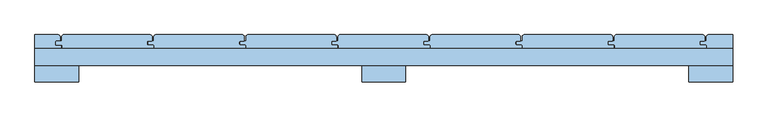
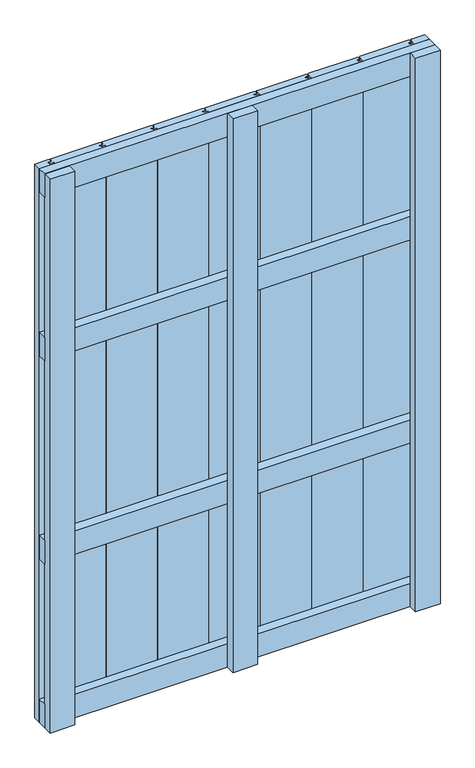
"""IFC4 building model written with IfcOpenShell, lengths in millimetres: window geometry."""

from ifc_helpers import new_model, si_unit, point, frame, frame_2d, origin, place, context, project, spatial, polyline, circle_curve, trimmed, segment, composite_curve, outline, extrude, source, transform, mapped, element, save


def window_517b9fd2(model_context):
    return source(origin(), model_context, "Body", "SweptSolid", [
        extrude(outline(polyline([(500.0, 30.0), (500.0, 6.0), (-500.0, 6.0), (-500.0, 30.0), (500.0, 30.0)])), frame((0.0, 0.0, 1093.5), z_axis=(0.0, 0.0, 1.0), x_axis=(1.0, 0.0, 0.0)), (0.0, 0.0, 1.0), 63.0),
        extrude(outline(polyline([(500.0, 30.0), (500.0, 6.0), (-500.0, 6.0), (-500.0, 30.0), (500.0, 30.0)])), frame((0.0, 0.0, 543.5), z_axis=(0.0, 0.0, 1.0), x_axis=(1.0, 0.0, 0.0)), (0.0, 0.0, 1.0), 63.0),
        extrude(outline(polyline([(500.0, 30.0), (500.0, 6.0), (-500.0, 6.0), (-500.0, 30.0), (500.0, 30.0)])), frame((0.0, 0.0, 1537.0), z_axis=(0.0, 0.0, 1.0), x_axis=(1.0, 0.0, 0.0)), (0.0, 0.0, 1.0), 63.0),
        extrude(outline(polyline([(500.0, 30.0), (500.0, 6.0), (-500.0, 6.0), (-500.0, 30.0), (500.0, 30.0)])), frame((0.0, 0.0, 100.0), z_axis=(0.0, 0.0, 1.0), x_axis=(1.0, 0.0, 0.0)), (0.0, 0.0, 1.0), 63.0),
        extrude(outline(composite_curve([segment(polyline([(-333.0, 41.0), (-338.0, 41.0)]), True, "CONTINUOUS"), segment(trimmed(circle_curve(frame_2d((-338.0, 40.0)), 1.0), [point((-338.0, 41.0))], [point((-339.0, 40.0))], True, "CARTESIAN"), True, "CONTINUOUS"), segment(polyline([(-339.0, 40.0), (-339.0, 36.0)]), True, "CONTINUOUS"), segment(trimmed(circle_curve(frame_2d((-338.0, 36.0)), 1.0), [point((-339.0, 36.0))], [point((-338.0, 35.0))], True, "CARTESIAN"), True, "CONTINUOUS"), segment(polyline([(-338.0, 35.0), (-331.0, 35.0)]), True, "CONTINUOUS"), segment(trimmed(circle_curve(frame_2d((-331.0, 34.0)), 1.0), [point((-331.0, 35.0))], [point((-330.0, 34.0))], False, "CARTESIAN"), True, "CONTINUOUS"), segment(polyline([(-330.0, 34.0), (-330.0, 30.0), (-461.0, 30.0), (-461.0, 35.0), (-469.0, 35.0)]), True, "CONTINUOUS"), segment(trimmed(circle_curve(frame_2d((-469.0, 36.0)), 1.0), [point((-469.0, 35.0))], [point((-470.0, 36.0))], False, "CARTESIAN"), True, "CONTINUOUS"), segment(polyline([(-470.0, 36.0), (-470.0, 40.0)]), True, "CONTINUOUS"), segment(trimmed(circle_curve(frame_2d((-469.0, 40.0)), 1.0), [point((-470.0, 40.0))], [point((-469.0, 41.0))], False, "CARTESIAN"), True, "CONTINUOUS"), segment(polyline([(-469.0, 41.0), (-461.5177112, 41.0), (-461.5177112, 47.0156631)]), True, "CONTINUOUS"), segment(trimmed(circle_curve(frame_2d((-458.5333743, 47.0156631)), 2.9843369), [point((-461.5177112, 47.0156631))], [point((-458.5333743, 50.0))], False, "CARTESIAN"), True, "CONTINUOUS"), segment(polyline([(-458.5333743, 50.0), (-335.0347984, 50.0)]), True, "CONTINUOUS"), segment(trimmed(circle_curve(frame_2d((-335.0347984, 46.9652016)), 3.0347984), [point((-335.0347984, 50.0))], [point((-332.0, 46.9652016))], False, "CARTESIAN"), True, "CONTINUOUS"), segment(polyline([(-332.0, 46.9652016), (-332.0, 42.0)]), True, "CONTINUOUS"), segment(trimmed(circle_curve(frame_2d((-333.0, 42.0)), 1.0), [point((-332.0, 42.0))], [point((-333.0, 41.0))], False, "CARTESIAN"), True, "CONTINUOUS")], self_intersect=False)), frame((0.0, 0.0, 100.0), z_axis=(0.0, 0.0, 1.0), x_axis=(1.0, 0.0, 0.0)), (0.0, 0.0, 1.0), 1500.0),
        extrude(outline(composite_curve([segment(polyline([(-201.0, 41.0), (-206.0, 41.0)]), True, "CONTINUOUS"), segment(trimmed(circle_curve(frame_2d((-206.0, 40.0)), 1.0), [point((-206.0, 41.0))], [point((-207.0, 40.0))], True, "CARTESIAN"), True, "CONTINUOUS"), segment(polyline([(-207.0, 40.0), (-207.0, 36.0)]), True, "CONTINUOUS"), segment(trimmed(circle_curve(frame_2d((-206.0, 36.0)), 1.0), [point((-207.0, 36.0))], [point((-206.0, 35.0))], True, "CARTESIAN"), True, "CONTINUOUS"), segment(polyline([(-206.0, 35.0), (-199.0, 35.0)]), True, "CONTINUOUS"), segment(trimmed(circle_curve(frame_2d((-199.0, 34.0)), 1.0), [point((-199.0, 35.0))], [point((-198.0, 34.0))], False, "CARTESIAN"), True, "CONTINUOUS"), segment(polyline([(-198.0, 34.0), (-198.0, 30.0), (-329.0, 30.0), (-329.0, 35.0), (-337.0, 35.0)]), True, "CONTINUOUS"), segment(trimmed(circle_curve(frame_2d((-337.0, 36.0)), 1.0), [point((-337.0, 35.0))], [point((-338.0, 36.0))], False, "CARTESIAN"), True, "CONTINUOUS"), segment(polyline([(-338.0, 36.0), (-338.0, 40.0)]), True, "CONTINUOUS"), segment(trimmed(circle_curve(frame_2d((-337.0, 40.0)), 1.0), [point((-338.0, 40.0))], [point((-337.0, 41.0))], False, "CARTESIAN"), True, "CONTINUOUS"), segment(polyline([(-337.0, 41.0), (-329.5177112, 41.0), (-329.5177112, 47.0156631)]), True, "CONTINUOUS"), segment(trimmed(circle_curve(frame_2d((-326.5333743, 47.0156631)), 2.9843369), [point((-329.5177112, 47.0156631))], [point((-326.5333743, 50.0))], False, "CARTESIAN"), True, "CONTINUOUS"), segment(polyline([(-326.5333743, 50.0), (-203.0347984, 50.0)]), True, "CONTINUOUS"), segment(trimmed(circle_curve(frame_2d((-203.0347984, 46.9652016)), 3.0347984), [point((-203.0347984, 50.0))], [point((-200.0, 46.9652016))], False, "CARTESIAN"), True, "CONTINUOUS"), segment(polyline([(-200.0, 46.9652016), (-200.0, 42.0)]), True, "CONTINUOUS"), segment(trimmed(circle_curve(frame_2d((-201.0, 42.0)), 1.0), [point((-200.0, 42.0))], [point((-201.0, 41.0))], False, "CARTESIAN"), True, "CONTINUOUS")], self_intersect=False)), frame((0.0, 0.0, 100.0), z_axis=(0.0, 0.0, 1.0), x_axis=(1.0, 0.0, 0.0)), (0.0, 0.0, 1.0), 1500.0),
        extrude(outline(composite_curve([segment(polyline([(-69.0, 41.0), (-74.0, 41.0)]), True, "CONTINUOUS"), segment(trimmed(circle_curve(frame_2d((-74.0, 40.0)), 1.0), [point((-74.0, 41.0))], [point((-75.0, 40.0))], True, "CARTESIAN"), True, "CONTINUOUS"), segment(polyline([(-75.0, 40.0), (-75.0, 36.0)]), True, "CONTINUOUS"), segment(trimmed(circle_curve(frame_2d((-74.0, 36.0)), 1.0), [point((-75.0, 36.0))], [point((-74.0, 35.0))], True, "CARTESIAN"), True, "CONTINUOUS"), segment(polyline([(-74.0, 35.0), (-67.0, 35.0)]), True, "CONTINUOUS"), segment(trimmed(circle_curve(frame_2d((-67.0, 34.0)), 1.0), [point((-67.0, 35.0))], [point((-66.0, 34.0))], False, "CARTESIAN"), True, "CONTINUOUS"), segment(polyline([(-66.0, 34.0), (-66.0, 30.0), (-197.0, 30.0), (-197.0, 35.0), (-205.0, 35.0)]), True, "CONTINUOUS"), segment(trimmed(circle_curve(frame_2d((-205.0, 36.0)), 1.0), [point((-205.0, 35.0))], [point((-206.0, 36.0))], False, "CARTESIAN"), True, "CONTINUOUS"), segment(polyline([(-206.0, 36.0), (-206.0, 40.0)]), True, "CONTINUOUS"), segment(trimmed(circle_curve(frame_2d((-205.0, 40.0)), 1.0), [point((-206.0, 40.0))], [point((-205.0, 41.0))], False, "CARTESIAN"), True, "CONTINUOUS"), segment(polyline([(-205.0, 41.0), (-197.5177112, 41.0), (-197.5177112, 47.0156631)]), True, "CONTINUOUS"), segment(trimmed(circle_curve(frame_2d((-194.5333743, 47.0156631)), 2.9843369), [point((-197.5177112, 47.0156631))], [point((-194.5333743, 50.0))], False, "CARTESIAN"), True, "CONTINUOUS"), segment(polyline([(-194.5333743, 50.0), (-71.0347984, 50.0)]), True, "CONTINUOUS"), segment(trimmed(circle_curve(frame_2d((-71.0347984, 46.9652016)), 3.0347984), [point((-71.0347984, 50.0))], [point((-68.0, 46.9652016))], False, "CARTESIAN"), True, "CONTINUOUS"), segment(polyline([(-68.0, 46.9652016), (-68.0, 42.0)]), True, "CONTINUOUS"), segment(trimmed(circle_curve(frame_2d((-69.0, 42.0)), 1.0), [point((-68.0, 42.0))], [point((-69.0, 41.0))], False, "CARTESIAN"), True, "CONTINUOUS")], self_intersect=False)), frame((0.0, 0.0, 100.0), z_axis=(0.0, 0.0, 1.0), x_axis=(1.0, 0.0, 0.0)), (0.0, 0.0, 1.0), 1500.0),
        extrude(outline(composite_curve([segment(polyline([(63.0, 41.0), (58.0, 41.0)]), True, "CONTINUOUS"), segment(trimmed(circle_curve(frame_2d((58.0, 40.0)), 1.0), [point((58.0, 41.0))], [point((57.0, 40.0))], True, "CARTESIAN"), True, "CONTINUOUS"), segment(polyline([(57.0, 40.0), (57.0, 36.0)]), True, "CONTINUOUS"), segment(trimmed(circle_curve(frame_2d((58.0, 36.0)), 1.0), [point((57.0, 36.0))], [point((58.0, 35.0))], True, "CARTESIAN"), True, "CONTINUOUS"), segment(polyline([(58.0, 35.0), (65.0, 35.0)]), True, "CONTINUOUS"), segment(trimmed(circle_curve(frame_2d((65.0, 34.0)), 1.0), [point((65.0, 35.0))], [point((66.0, 34.0))], False, "CARTESIAN"), True, "CONTINUOUS"), segment(polyline([(66.0, 34.0), (66.0, 30.0), (-65.0, 30.0), (-65.0, 35.0), (-73.0, 35.0)]), True, "CONTINUOUS"), segment(trimmed(circle_curve(frame_2d((-73.0, 36.0)), 1.0), [point((-73.0, 35.0))], [point((-74.0, 36.0))], False, "CARTESIAN"), True, "CONTINUOUS"), segment(polyline([(-74.0, 36.0), (-74.0, 40.0)]), True, "CONTINUOUS"), segment(trimmed(circle_curve(frame_2d((-73.0, 40.0)), 1.0), [point((-74.0, 40.0))], [point((-73.0, 41.0))], False, "CARTESIAN"), True, "CONTINUOUS"), segment(polyline([(-73.0, 41.0), (-65.5177112, 41.0), (-65.5177112, 47.0156631)]), True, "CONTINUOUS"), segment(trimmed(circle_curve(frame_2d((-62.5333743, 47.0156631)), 2.9843369), [point((-65.5177112, 47.0156631))], [point((-62.5333743, 50.0))], False, "CARTESIAN"), True, "CONTINUOUS"), segment(polyline([(-62.5333743, 50.0), (60.9652016, 50.0)]), True, "CONTINUOUS"), segment(trimmed(circle_curve(frame_2d((60.9652016, 46.9652016)), 3.0347984), [point((60.9652016, 50.0))], [point((64.0, 46.9652016))], False, "CARTESIAN"), True, "CONTINUOUS"), segment(polyline([(64.0, 46.9652016), (64.0, 42.0)]), True, "CONTINUOUS"), segment(trimmed(circle_curve(frame_2d((63.0, 42.0)), 1.0), [point((64.0, 42.0))], [point((63.0, 41.0))], False, "CARTESIAN"), True, "CONTINUOUS")], self_intersect=False)), frame((0.0, 0.0, 100.0), z_axis=(0.0, 0.0, 1.0), x_axis=(1.0, 0.0, 0.0)), (0.0, 0.0, 1.0), 1500.0),
        extrude(outline(composite_curve([segment(polyline([(195.0, 41.0), (190.0, 41.0)]), True, "CONTINUOUS"), segment(trimmed(circle_curve(frame_2d((190.0, 40.0)), 1.0), [point((190.0, 41.0))], [point((189.0, 40.0))], True, "CARTESIAN"), True, "CONTINUOUS"), segment(polyline([(189.0, 40.0), (189.0, 36.0)]), True, "CONTINUOUS"), segment(trimmed(circle_curve(frame_2d((190.0, 36.0)), 1.0), [point((189.0, 36.0))], [point((190.0, 35.0))], True, "CARTESIAN"), True, "CONTINUOUS"), segment(polyline([(190.0, 35.0), (197.0, 35.0)]), True, "CONTINUOUS"), segment(trimmed(circle_curve(frame_2d((197.0, 34.0)), 1.0), [point((197.0, 35.0))], [point((198.0, 34.0))], False, "CARTESIAN"), True, "CONTINUOUS"), segment(polyline([(198.0, 34.0), (198.0, 30.0), (67.0, 30.0), (67.0, 35.0), (59.0, 35.0)]), True, "CONTINUOUS"), segment(trimmed(circle_curve(frame_2d((59.0, 36.0)), 1.0), [point((59.0, 35.0))], [point((58.0, 36.0))], False, "CARTESIAN"), True, "CONTINUOUS"), segment(polyline([(58.0, 36.0), (58.0, 40.0)]), True, "CONTINUOUS"), segment(trimmed(circle_curve(frame_2d((59.0, 40.0)), 1.0), [point((58.0, 40.0))], [point((59.0, 41.0))], False, "CARTESIAN"), True, "CONTINUOUS"), segment(polyline([(59.0, 41.0), (66.4822888, 41.0), (66.4822888, 47.0156631)]), True, "CONTINUOUS"), segment(trimmed(circle_curve(frame_2d((69.4666257, 47.0156631)), 2.9843369), [point((66.4822888, 47.0156631))], [point((69.4666257, 50.0))], False, "CARTESIAN"), True, "CONTINUOUS"), segment(polyline([(69.4666257, 50.0), (192.9652016, 50.0)]), True, "CONTINUOUS"), segment(trimmed(circle_curve(frame_2d((192.9652016, 46.9652016)), 3.0347984), [point((192.9652016, 50.0))], [point((196.0, 46.9652016))], False, "CARTESIAN"), True, "CONTINUOUS"), segment(polyline([(196.0, 46.9652016), (196.0, 42.0)]), True, "CONTINUOUS"), segment(trimmed(circle_curve(frame_2d((195.0, 42.0)), 1.0), [point((196.0, 42.0))], [point((195.0, 41.0))], False, "CARTESIAN"), True, "CONTINUOUS")], self_intersect=False)), frame((0.0, 0.0, 100.0), z_axis=(0.0, 0.0, 1.0), x_axis=(1.0, 0.0, 0.0)), (0.0, 0.0, 1.0), 1500.0),
        extrude(outline(composite_curve([segment(polyline([(327.0, 41.0), (322.0, 41.0)]), True, "CONTINUOUS"), segment(trimmed(circle_curve(frame_2d((322.0, 40.0)), 1.0), [point((322.0, 41.0))], [point((321.0, 40.0))], True, "CARTESIAN"), True, "CONTINUOUS"), segment(polyline([(321.0, 40.0), (321.0, 36.0)]), True, "CONTINUOUS"), segment(trimmed(circle_curve(frame_2d((322.0, 36.0)), 1.0), [point((321.0, 36.0))], [point((322.0, 35.0))], True, "CARTESIAN"), True, "CONTINUOUS"), segment(polyline([(322.0, 35.0), (329.0, 35.0)]), True, "CONTINUOUS"), segment(trimmed(circle_curve(frame_2d((329.0, 34.0)), 1.0), [point((329.0, 35.0))], [point((330.0, 34.0))], False, "CARTESIAN"), True, "CONTINUOUS"), segment(polyline([(330.0, 34.0), (330.0, 30.0), (199.0, 30.0), (199.0, 35.0), (191.0, 35.0)]), True, "CONTINUOUS"), segment(trimmed(circle_curve(frame_2d((191.0, 36.0)), 1.0), [point((191.0, 35.0))], [point((190.0, 36.0))], False, "CARTESIAN"), True, "CONTINUOUS"), segment(polyline([(190.0, 36.0), (190.0, 40.0)]), True, "CONTINUOUS"), segment(trimmed(circle_curve(frame_2d((191.0, 40.0)), 1.0), [point((190.0, 40.0))], [point((191.0, 41.0))], False, "CARTESIAN"), True, "CONTINUOUS"), segment(polyline([(191.0, 41.0), (198.4822888, 41.0), (198.4822888, 47.0156631)]), True, "CONTINUOUS"), segment(trimmed(circle_curve(frame_2d((201.4666257, 47.0156631)), 2.9843369), [point((198.4822888, 47.0156631))], [point((201.4666257, 50.0))], False, "CARTESIAN"), True, "CONTINUOUS"), segment(polyline([(201.4666257, 50.0), (324.9652016, 50.0)]), True, "CONTINUOUS"), segment(trimmed(circle_curve(frame_2d((324.9652016, 46.9652016)), 3.0347984), [point((324.9652016, 50.0))], [point((328.0, 46.9652016))], False, "CARTESIAN"), True, "CONTINUOUS"), segment(polyline([(328.0, 46.9652016), (328.0, 42.0)]), True, "CONTINUOUS"), segment(trimmed(circle_curve(frame_2d((327.0, 42.0)), 1.0), [point((328.0, 42.0))], [point((327.0, 41.0))], False, "CARTESIAN"), True, "CONTINUOUS")], self_intersect=False)), frame((0.0, 0.0, 100.0), z_axis=(0.0, 0.0, 1.0), x_axis=(1.0, 0.0, 0.0)), (0.0, 0.0, 1.0), 1500.0),
        extrude(outline(composite_curve([segment(polyline([(459.0, 41.0), (454.0, 41.0)]), True, "CONTINUOUS"), segment(trimmed(circle_curve(frame_2d((454.0, 40.0)), 1.0), [point((454.0, 41.0))], [point((453.0, 40.0))], True, "CARTESIAN"), True, "CONTINUOUS"), segment(polyline([(453.0, 40.0), (453.0, 36.0)]), True, "CONTINUOUS"), segment(trimmed(circle_curve(frame_2d((454.0, 36.0)), 1.0), [point((453.0, 36.0))], [point((454.0, 35.0))], True, "CARTESIAN"), True, "CONTINUOUS"), segment(polyline([(454.0, 35.0), (461.0, 35.0)]), True, "CONTINUOUS"), segment(trimmed(circle_curve(frame_2d((461.0, 34.0)), 1.0), [point((461.0, 35.0))], [point((462.0, 34.0))], False, "CARTESIAN"), True, "CONTINUOUS"), segment(polyline([(462.0, 34.0), (462.0, 30.0), (331.0, 30.0), (331.0, 35.0), (323.0, 35.0)]), True, "CONTINUOUS"), segment(trimmed(circle_curve(frame_2d((323.0, 36.0)), 1.0), [point((323.0, 35.0))], [point((322.0, 36.0))], False, "CARTESIAN"), True, "CONTINUOUS"), segment(polyline([(322.0, 36.0), (322.0, 40.0)]), True, "CONTINUOUS"), segment(trimmed(circle_curve(frame_2d((323.0, 40.0)), 1.0), [point((322.0, 40.0))], [point((323.0, 41.0))], False, "CARTESIAN"), True, "CONTINUOUS"), segment(polyline([(323.0, 41.0), (330.4822888, 41.0), (330.4822888, 47.0156631)]), True, "CONTINUOUS"), segment(trimmed(circle_curve(frame_2d((333.4666257, 47.0156631)), 2.9843369), [point((330.4822888, 47.0156631))], [point((333.4666257, 50.0))], False, "CARTESIAN"), True, "CONTINUOUS"), segment(polyline([(333.4666257, 50.0), (456.9652016, 50.0)]), True, "CONTINUOUS"), segment(trimmed(circle_curve(frame_2d((456.9652016, 46.9652016)), 3.0347984), [point((456.9652016, 50.0))], [point((460.0, 46.9652016))], False, "CARTESIAN"), True, "CONTINUOUS"), segment(polyline([(460.0, 46.9652016), (460.0, 42.0)]), True, "CONTINUOUS"), segment(trimmed(circle_curve(frame_2d((459.0, 42.0)), 1.0), [point((460.0, 42.0))], [point((459.0, 41.0))], False, "CARTESIAN"), True, "CONTINUOUS")], self_intersect=False)), frame((0.0, 0.0, 100.0), z_axis=(0.0, 0.0, 1.0), x_axis=(1.0, 0.0, 0.0)), (0.0, 0.0, 1.0), 1500.0),
        extrude(outline(composite_curve([segment(polyline([(-465.0, 41.0), (-470.0, 41.0)]), True, "CONTINUOUS"), segment(trimmed(circle_curve(frame_2d((-470.0, 40.0)), 1.0), [point((-470.0, 41.0))], [point((-471.0, 40.0))], True, "CARTESIAN"), True, "CONTINUOUS"), segment(polyline([(-471.0, 40.0), (-471.0, 36.0)]), True, "CONTINUOUS"), segment(trimmed(circle_curve(frame_2d((-470.0, 36.0)), 1.0), [point((-471.0, 36.0))], [point((-470.0, 35.0))], True, "CARTESIAN"), True, "CONTINUOUS"), segment(polyline([(-470.0, 35.0), (-463.0, 35.0)]), True, "CONTINUOUS"), segment(trimmed(circle_curve(frame_2d((-463.0, 34.0)), 1.0), [point((-463.0, 35.0))], [point((-462.0, 34.0))], False, "CARTESIAN"), True, "CONTINUOUS"), segment(polyline([(-462.0, 34.0), (-462.0, 30.0), (-500.0, 30.0), (-500.0, 50.0), (-467.0347984, 50.0)]), True, "CONTINUOUS"), segment(trimmed(circle_curve(frame_2d((-467.0347984, 46.9652016)), 3.0347984), [point((-467.0347984, 50.0))], [point((-464.0, 46.9652016))], False, "CARTESIAN"), True, "CONTINUOUS"), segment(polyline([(-464.0, 46.9652016), (-464.0, 42.0)]), True, "CONTINUOUS"), segment(trimmed(circle_curve(frame_2d((-465.0, 42.0)), 1.0), [point((-464.0, 42.0))], [point((-465.0, 41.0))], False, "CARTESIAN"), True, "CONTINUOUS")], self_intersect=False)), frame((0.0, 0.0, 100.0), z_axis=(0.0, 0.0, 1.0), x_axis=(1.0, 0.0, 0.0)), (0.0, 0.0, 1.0), 1500.0),
        extrude(outline(composite_curve([segment(polyline([(454.0, 36.0), (454.0, 40.0)]), True, "CONTINUOUS"), segment(trimmed(circle_curve(frame_2d((455.0, 40.0)), 1.0), [point((454.0, 40.0))], [point((455.0, 41.0))], False, "CARTESIAN"), True, "CONTINUOUS"), segment(polyline([(455.0, 41.0), (462.4822888, 41.0), (462.4822888, 47.0344851)]), True, "CONTINUOUS"), segment(trimmed(circle_curve(frame_2d((465.4478037, 47.0344851)), 2.9655149), [point((462.4822888, 47.0344851))], [point((465.4478037, 50.0))], False, "CARTESIAN"), True, "CONTINUOUS"), segment(polyline([(465.4478037, 50.0), (500.0, 50.0), (500.0, 30.0), (463.0, 30.0), (463.0, 35.0), (455.0, 35.0)]), True, "CONTINUOUS"), segment(trimmed(circle_curve(frame_2d((455.0, 36.0)), 1.0), [point((455.0, 35.0))], [point((454.0, 36.0))], False, "CARTESIAN"), True, "CONTINUOUS")], self_intersect=False)), frame((0.0, 0.0, 100.0), z_axis=(0.0, 0.0, 1.0), x_axis=(1.0, 0.0, 0.0)), (0.0, 0.0, 1.0), 1500.0),
        extrude(outline(polyline([(-31.5, 6.1), (31.5, 6.1), (31.5, -17.9), (-31.5, -17.9), (-31.5, 6.1)])), frame((0.0, 0.0, 100.0), z_axis=(0.0, 0.0, 1.0), x_axis=(1.0, 0.0, 0.0)), (0.0, 0.0, 1.0), 1500.0),
        extrude(outline(polyline([(-500.0, 6.0), (-437.0, 6.0), (-437.0, -18.0), (-500.0, -18.0), (-500.0, 6.0)])), frame((0.0, 0.0, 100.0), z_axis=(0.0, 0.0, 1.0), x_axis=(1.0, 0.0, 0.0)), (0.0, 0.0, 1.0), 1500.0),
        extrude(outline(polyline([(437.0, 6.0), (500.0, 6.0), (500.0, -18.0), (437.0, -18.0), (437.0, 6.0)])), frame((0.0, 0.0, 100.0), z_axis=(0.0, 0.0, 1.0), x_axis=(1.0, 0.0, 0.0)), (0.0, 0.0, 1.0), 1500.0),
    ])


if __name__ == "__main__":
    model = new_model("IFC4")
    model_context = context("Model", 3, world=origin())
    ifc_project = project(units=[si_unit("LENGTHUNIT", "METRE", prefix="MILLI")], contexts=[model_context])
    site = spatial("IfcSite", under=ifc_project)
    building = spatial("IfcBuilding", under=site)
    placement = place(None, origin())
    window_shape = window_517b9fd2(model_context)
    element("IfcWindow", 1, at=placement, inside=building, context=model_context, shape_type="MappedRepresentation", body=[
        mapped(window_shape, transform((0.0, 0.0, 0.0), x_axis=(1.0, 0.0, 0.0), y_axis=(0.0, 1.0, 0.0), z_axis=(0.0, 0.0, 1.0))),
    ])
    save(model, "model.ifc")
